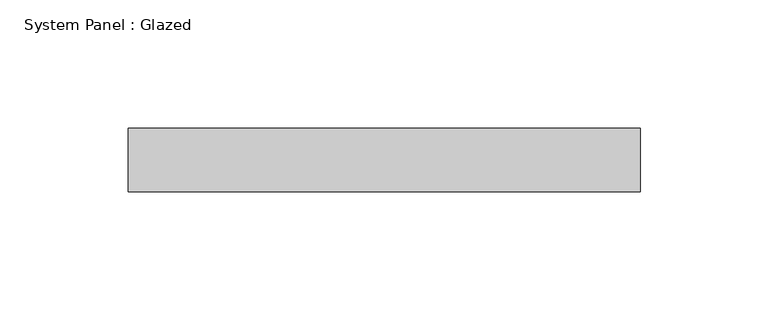
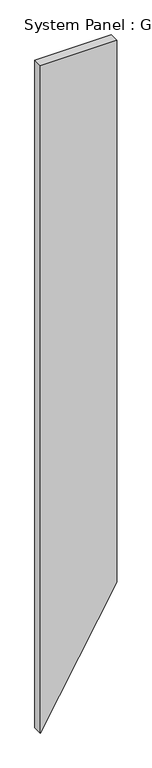
"""IFC4 building model written with IfcOpenShell, lengths in millimetres: plate geometry, System Panel : Glazed."""

from ifc_helpers import new_model, si_unit, frame, origin, place, context, project, spatial, polyline, outline, extrude, source, transform, mapped, element, save


def system_panel_glazed_e4c56cb0(model_context):
    return source(origin(), model_context, "Body", "SweptSolid", [
        extrude(outline(polyline([(0.0, -100.0), (346.4101615, 100.0), (1843.0780613, 100.0), (1843.0780613, -100.0), (0.0, -100.0)])), frame((0.0, 24.5, 0.0), z_axis=(0.0, 1.0, 0.0), x_axis=(0.0, 0.0, 1.0)), (0.0, 0.0, 1.0), 25.0),
    ])


if __name__ == "__main__":
    model = new_model("IFC4")
    model_context = context("Model", 3, world=origin())
    ifc_project = project(units=[si_unit("LENGTHUNIT", "METRE", prefix="MILLI")], contexts=[model_context])
    site = spatial("IfcSite", under=ifc_project)
    building = spatial("IfcBuilding", under=site)
    placement = place(None, origin())
    system_panel_glazed_shape = system_panel_glazed_e4c56cb0(model_context)
    element("IfcPlate", 1, ObjectType="System Panel : Glazed", at=placement, inside=building, context=model_context, shape_type="MappedRepresentation", body=[
        mapped(system_panel_glazed_shape, transform((0.0, 0.0, 0.0), x_axis=(1.0, 0.0, 0.0), y_axis=(0.0, 1.0, 0.0), z_axis=(0.0, 0.0, 1.0))),
    ])
    save(model, "model.ifc")
